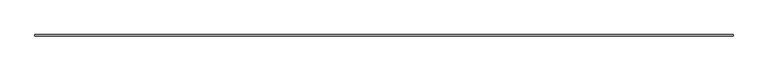
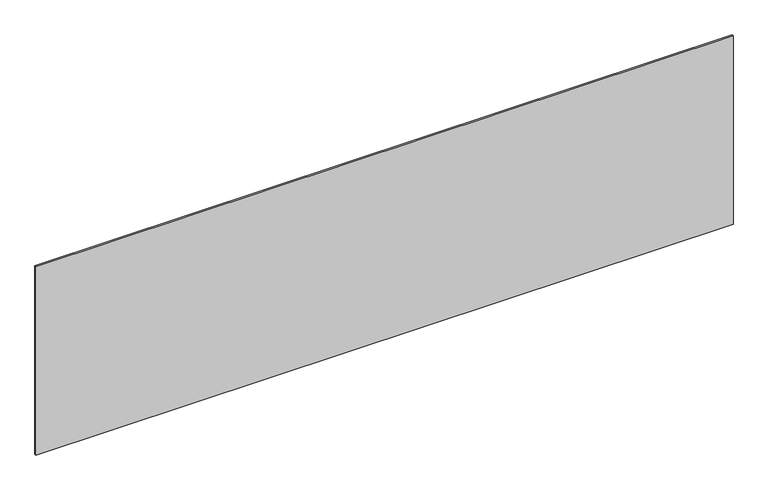
"""IFC4 building model written with IfcOpenShell, lengths in millimetres: plate geometry."""

from ifc_helpers import new_model, si_unit, origin, origin_with_axes, place, context, project, spatial, polyline, outline, extrude, source, transform, mapped, element, save


def plate_757115cb(model_context):
    return source(origin(), model_context, "Body", "SweptSolid", [
        extrude(outline(polyline([(2281.6666667, -5.0), (-2281.6666667, -5.0), (-2281.6666667, 5.0), (2281.6666667, 5.0), (2281.6666667, -5.0)])), origin_with_axes(), (0.0, 0.0, 1.0), 1302.8439899),
    ])


if __name__ == "__main__":
    model = new_model("IFC4")
    model_context = context("Model", 3, world=origin())
    ifc_project = project(units=[si_unit("LENGTHUNIT", "METRE", prefix="MILLI")], contexts=[model_context])
    site = spatial("IfcSite", under=ifc_project)
    building = spatial("IfcBuilding", under=site)
    placement = place(None, origin())
    plate_shape = plate_757115cb(model_context)
    element("IfcPlate", 1, at=placement, inside=building, context=model_context, shape_type="MappedRepresentation", body=[
        mapped(plate_shape, transform((0.0, 0.0, 0.0), x_axis=(1.0, 0.0, 0.0), y_axis=(0.0, 1.0, 0.0), z_axis=(0.0, 0.0, 1.0))),
    ])
    save(model, "model.ifc")
